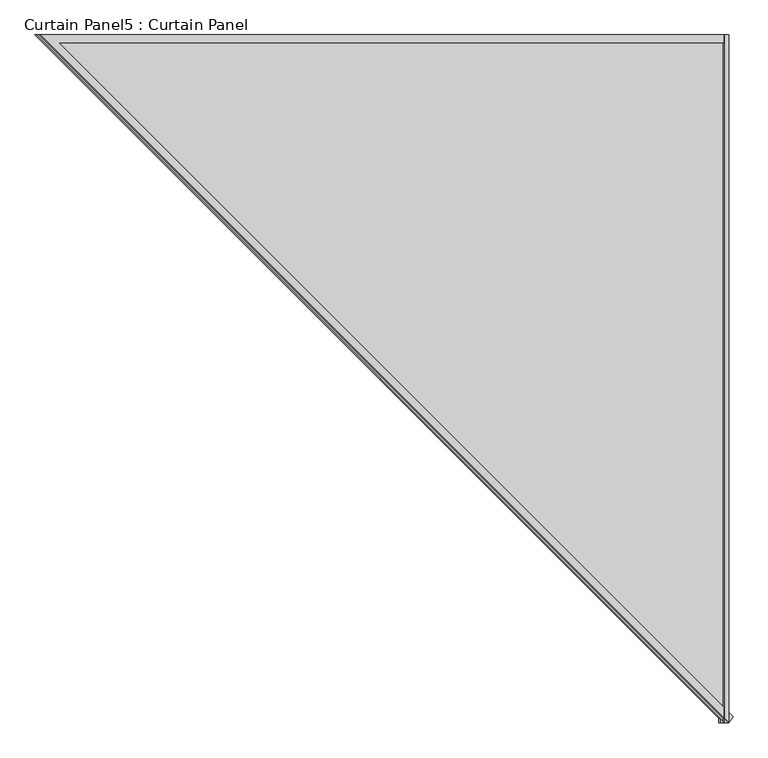
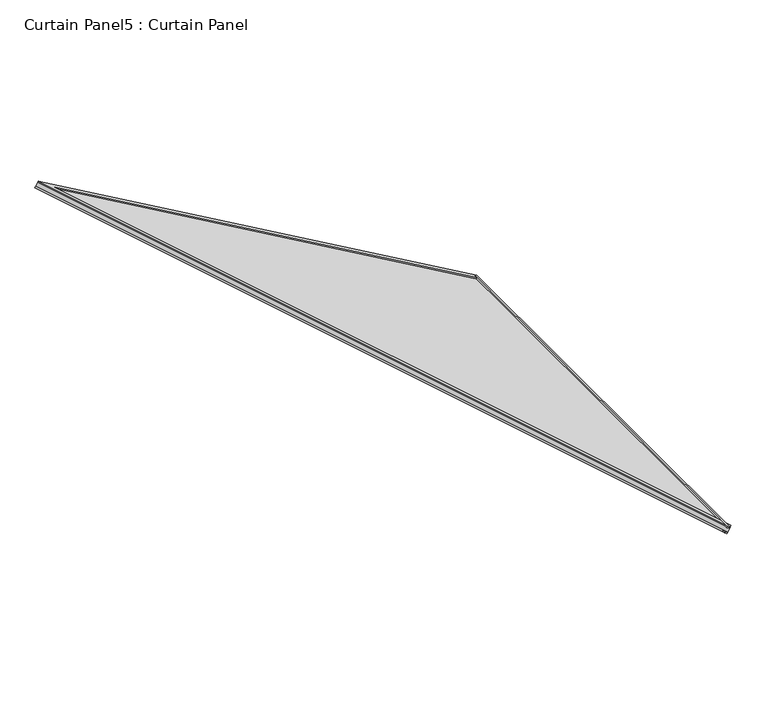
"""IFC4 building model written with IfcOpenShell, lengths in millimetres: plate geometry, Curtain Panel5 : Curtain Panel."""

from ifc_helpers import new_model, si_unit, frame, origin, place, context, project, spatial, polyline, outline, extrude, source, transform, mapped, element, save


def curtain_panel5_curtain_panel_1872ecde(model_context):
    return source(origin(), model_context, "Body", "SweptSolid", [
        extrude(outline(polyline([(904.2455031, 13461.7445753), (898.6892531, 13471.3682826), (902.6846748, 13473.6750404), (908.2405915, 13464.0511407), (904.2455031, 13461.7445753)])), frame((0.0, -14371.4147743, 0.0), z_axis=(0.0, 1.0, 0.0), x_axis=(0.0, 0.0, 1.0)), (0.0, 0.0, 1.0), 1495.9758311),
        extrude(outline(polyline([(920.0127811, 13470.8478175), (914.4565311, 13480.4715248), (918.1568362, 13482.6078969), (923.7127528, 13472.9839972), (920.0127811, 13470.8478175)])), frame((0.0, -14371.4147743, 0.0), z_axis=(0.0, 1.0, 0.0), x_axis=(0.0, 0.0, 1.0)), (0.0, 0.0, 1.0), 1495.9758311),
        extrude(outline(polyline([(0.0, -17.4752), (0.0, 0.0), (1680.5308906, 0.0), (-11.4402038, 1465.2899503), (0.0, 1478.4999598), (1727.4033223, -17.4752), (0.0, -17.4752)])), frame((13480.4715248, -12892.9141432, 914.4565311), z_axis=(0.5000000000000024, 0.0, 0.8660254037844373), x_axis=(-0.8660254037844373, 0.0, 0.5000000000000024)), (0.0, 0.0, 1.0), 4.0739219),
        extrude(outline(polyline([(0.0, -11.1252), (0.0, 0.0), (1697.5630242, 0.0), (-7.2831531, 1476.4400991), (0.0, 1484.8499598), (1727.4033223, -11.1252), (0.0, -11.1252)])), frame((13471.2689857, -12886.5641432, 898.5172659), z_axis=(0.5000000000000027, 0.0, 0.8660254037844372), x_axis=(-0.8660254037844372, 0.0, 0.5000000000000027)), (0.0, 0.0, 1.0), 4.8121094),
        extrude(outline(polyline([(12.7, 0.0), (1508.6758311, 0.0), (12.7, -1727.4040976), (12.7, 0.0)])), frame((13473.6757118, -12862.7389432, 902.6842872), z_axis=(0.49999999999999867, 0.0, 0.8660254037844395), x_axis=(0.0, -1.0, 0.0)), (0.0, 0.0, 1.0), 13.5929687),
    ])


if __name__ == "__main__":
    model = new_model("IFC4")
    model_context = context("Model", 3, world=origin())
    ifc_project = project(units=[si_unit("LENGTHUNIT", "METRE", prefix="MILLI")], contexts=[model_context])
    site = spatial("IfcSite", under=ifc_project)
    building = spatial("IfcBuilding", under=site)
    placement = place(None, origin())
    curtain_panel5_curtain_panel_shape = curtain_panel5_curtain_panel_1872ecde(model_context)
    element("IfcPlate", 1, ObjectType="Curtain Panel5 : Curtain Panel", at=placement, inside=building, context=model_context, shape_type="MappedRepresentation", body=[
        mapped(curtain_panel5_curtain_panel_shape, transform((0.0, 0.0, 0.0), x_axis=(1.0, 0.0, 0.0), y_axis=(0.0, 1.0, 0.0), z_axis=(0.0, 0.0, 1.0))),
    ])
    save(model, "model.ifc")
